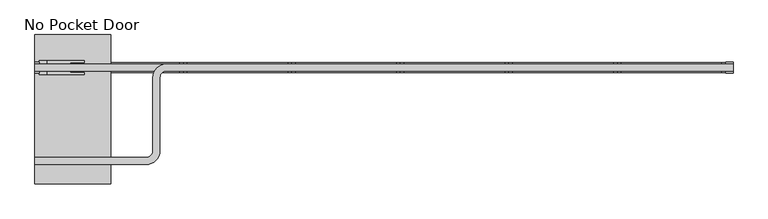
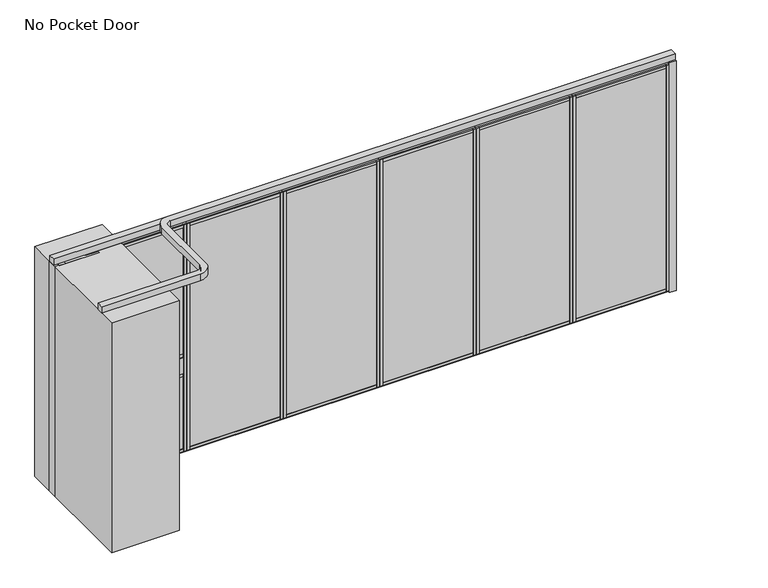
"""IFC4 building model written with IfcOpenShell, lengths in millimetres: proxy geometry, No Pocket Door."""

import ifcopenshell
import ifcopenshell.guid

model = None  # the IFC model being written
_history = None  # IfcOwnerHistory: only IFC2X3 demands one
_inside = {}  # id of a spatial element -> (the spatial element, [elements in it])
_under = {}  # id of a project, library or spatial element -> (it, [spatial elements below it])
_declared = {}  # id of a project -> (the project, [libraries it declares])
_typed = {}  # id of a type object -> (the type object, [elements of that type])
_made_of = {}  # id of a material, layer set ... -> (it, [elements and type objects made of it])


def new_model(schema):
    """Start an empty IFC model of exactly this schema.

    Asked for "IFC4X3", IfcOpenShell would pick the latest addendum, in which some entities
    have other attributes; the version numbers below select the first issue.
    IFC2X3 requires an IfcOwnerHistory on every rooted entity: one is made here for all.
    """
    global model, _history
    if schema == "IFC4X3":
        model = ifcopenshell.file(schema_version=(4, 3, 0, 0))
    else:
        model = ifcopenshell.file(schema=schema)
    _inside.clear()
    _under.clear()
    _declared.clear()
    _typed.clear()
    _made_of.clear()
    _history = None
    if model.schema == "IFC2X3":
        org = make("IfcOrganization", Name="unknown")
        user = make(
            "IfcPersonAndOrganization",
            ThePerson=make("IfcPerson", FamilyName="unknown"),
            TheOrganization=org,
        )
        app = make(
            "IfcApplication",
            ApplicationDeveloper=org,
            Version="unknown",
            ApplicationFullName="unknown",
            ApplicationIdentifier="unknown",
        )
        _history = make(
            "IfcOwnerHistory",
            OwningUser=user,
            OwningApplication=app,
            ChangeAction="ADDED",
            CreationDate=0,
        )
    return model


def make(cls, **values):
    """One entity of the class cls with the attributes given. An attribute that is None is left unset."""
    return model.create_entity(
        cls, **{name: value for name, value in values.items() if value is not None}
    )


def rooted(cls, **values):
    """An entity with a GlobalId (a new one), such as an element, a storey or a relation."""
    return make(cls, GlobalId=ifcopenshell.guid.new(), OwnerHistory=_history, **values)


def si_unit(unit_type, name, prefix=None):
    """IfcSIUnit, for example si_unit("LENGTHUNIT", "METRE", prefix="MILLI")."""
    return make("IfcSIUnit", UnitType=unit_type, Prefix=prefix, Name=name)


def assignment(units):
    """IfcUnitAssignment: the units of a project."""
    return None if units is None else make("IfcUnitAssignment", Units=units)


def point(xyz):
    """IfcCartesianPoint."""
    return None if xyz is None else make("IfcCartesianPoint", Coordinates=xyz)


def direction(xyz):
    """IfcDirection."""
    return None if xyz is None else make("IfcDirection", DirectionRatios=xyz)


def frame(location, z_axis=None, x_axis=None):
    """IfcAxis2Placement3D, a coordinate frame: its origin and axes. An axis left out is left unset."""
    return make(
        "IfcAxis2Placement3D",
        Location=point(location),
        Axis=direction(z_axis),
        RefDirection=direction(x_axis),
    )


def frame_2d(location, x_axis=None):
    """IfcAxis2Placement2D, a coordinate frame in the plane: its origin and x axis."""
    return make(
        "IfcAxis2Placement2D", Location=point(location), RefDirection=direction(x_axis)
    )


def origin():
    """The frame at (0, 0, 0) with its axes left unset."""
    return frame((0.0, 0.0, 0.0))


def origin_with_axes():
    """The frame at (0, 0, 0) with the z axis (0, 0, 1) and the x axis (1, 0, 0) written out."""
    return frame((0.0, 0.0, 0.0), z_axis=(0.0, 0.0, 1.0), x_axis=(1.0, 0.0, 0.0))


def place(relative_to, where):
    """IfcLocalPlacement: puts the frame where relative to a parent placement (None: the world)."""
    return make(
        "IfcLocalPlacement", PlacementRelTo=relative_to, RelativePlacement=where
    )


def context(
    kind, dimensions, precision=None, world=None, true_north=None, identifier=None
):
    """IfcGeometricRepresentationContext, for example the 3D "Model" context."""
    return make(
        "IfcGeometricRepresentationContext",
        ContextIdentifier=identifier,
        ContextType=kind,
        CoordinateSpaceDimension=dimensions,
        Precision=precision,
        WorldCoordinateSystem=world,
        TrueNorth=true_north,
    )


def project(units=None, contexts=None):
    """IfcProject with its units and contexts."""
    return rooted(
        "IfcProject",
        Name="project",
        RepresentationContexts=contexts,
        UnitsInContext=assignment(units),
    )


def spatial(cls, under=None, at=None, **own):
    """A site, building, storey or space (cls), placed at a placement, below another one or the project."""
    s = rooted(cls, ObjectPlacement=at, **own)
    if under is not None:
        _under.setdefault(under.id(), (under, []))[1].append(s)
    return s


def polyline(points):
    """IfcPolyline through the points."""
    return make("IfcPolyline", Points=[point(p) for p in points])


def circle_curve(where, radius):
    """IfcCircle in the frame where."""
    return make("IfcCircle", Position=where, Radius=radius)


def trimmed(basis, trim1, trim2, sense, master):
    """IfcTrimmedCurve: the piece of a basis curve between two trims."""
    return make(
        "IfcTrimmedCurve",
        BasisCurve=basis,
        Trim1=trim1,
        Trim2=trim2,
        SenseAgreement=sense,
        MasterRepresentation=master,
    )


def segment(curve, same_sense, transition):
    """IfcCompositeCurveSegment."""
    return make(
        "IfcCompositeCurveSegment",
        Transition=transition,
        SameSense=same_sense,
        ParentCurve=curve,
    )


def composite_curve(segments, self_intersect=None):
    """IfcCompositeCurve: segments joined end to end."""
    return make("IfcCompositeCurve", Segments=segments, SelfIntersect=self_intersect)


def outline(outer, holes=None, kind="AREA"):
    """IfcArbitraryClosedProfileDef: a profile drawn as a closed curve; with holes, ...WithVoids."""
    if holes is None:
        return make("IfcArbitraryClosedProfileDef", ProfileType=kind, OuterCurve=outer)
    return make(
        "IfcArbitraryProfileDefWithVoids",
        ProfileType=kind,
        OuterCurve=outer,
        InnerCurves=holes,
    )


def extrude(swept, where, along, depth):
    """IfcExtrudedAreaSolid: the profile swept, set in the frame where, extruded along a direction by depth."""
    return make(
        "IfcExtrudedAreaSolid",
        SweptArea=swept,
        Position=where,
        ExtrudedDirection=direction(along),
        Depth=depth,
    )


def shape(context_of_items, identifier, shape_type, items):
    """IfcShapeRepresentation: the items that make up one representation, for example the "Body"."""
    return make(
        "IfcShapeRepresentation",
        ContextOfItems=context_of_items,
        RepresentationIdentifier=identifier,
        RepresentationType=shape_type,
        Items=items,
    )


def source(mapping_origin, context_of_items, identifier, shape_type, items):
    """IfcRepresentationMap: a shape defined once, which mapped items show again and again."""
    return make(
        "IfcRepresentationMap",
        MappingOrigin=mapping_origin,
        MappedRepresentation=shape(context_of_items, identifier, shape_type, items),
    )


def transform(
    local_origin,
    x_axis=None,
    y_axis=None,
    z_axis=None,
    scale=None,
    scale2=None,
    scale3=None,
    uniform=True,
):
    """IfcCartesianTransformationOperator3D, or its non-uniform kind. x_axis, y_axis, z_axis: its Axis1, 2, 3."""
    if uniform:
        return make(
            "IfcCartesianTransformationOperator3D",
            Axis1=direction(x_axis),
            Axis2=direction(y_axis),
            LocalOrigin=point(local_origin),
            Scale=scale,
            Axis3=direction(z_axis),
        )
    return make(
        "IfcCartesianTransformationOperator3DnonUniform",
        Axis1=direction(x_axis),
        Axis2=direction(y_axis),
        LocalOrigin=point(local_origin),
        Scale=scale,
        Axis3=direction(z_axis),
        Scale2=scale2,
        Scale3=scale3,
    )


def mapped(mapping_source, mapping_target):
    """IfcMappedItem: shows the shape of a source again, moved by a transform."""
    return make(
        "IfcMappedItem", MappingSource=mapping_source, MappingTarget=mapping_target
    )


def made_of(thing, what):
    """Note that an element or type object is made of a material, layer set ...; save() writes the relation."""
    if what is not None:
        _made_of.setdefault(what.id(), (what, []))[1].append(thing)
    return thing


def element(
    cls,
    number,
    at=None,
    inside=None,
    cuts=None,
    type_object=None,
    material=None,
    context=None,
    identifier="Body",
    shape_type=None,
    held_by="IfcProductDefinitionShape",
    body=None,
    shapes=None,
    **own,
):
    """One element of the class cls, such as IfcWall. Its Tag is "e" and its number.

    at: its placement. inside: the storey or other place that contains it. cuts: it is an
    opening in that element (IfcRelVoidsElement). A single representation is given by context,
    identifier, shape_type and body (its items); several are given by shapes. held_by: the class
    of the entity that holds the representations. save() writes the other relations.
    """
    e = rooted(cls, Tag="e%d" % number, ObjectPlacement=at, **own)
    if body is not None:
        shapes = [shape(context, identifier, shape_type, body)]
    if shapes is not None:
        e.Representation = make(held_by, Representations=shapes)
    if inside is not None:
        _inside.setdefault(inside.id(), (inside, []))[1].append(e)
    if cuts is not None:
        rooted(
            "IfcRelVoidsElement", RelatingBuildingElement=cuts, RelatedOpeningElement=e
        )
    if type_object is not None:
        _typed.setdefault(type_object.id(), (type_object, []))[1].append(e)
    return made_of(e, material)


def aggregate(whole, parts):
    """IfcRelAggregates: a whole, such as a stair, and the parts it consists of."""
    return rooted("IfcRelAggregates", RelatingObject=whole, RelatedObjects=parts)


def save(model, path):
    """Write the relations noted so far, then the file.

    IfcRelAggregates (storeys below a building ...), IfcRelContainedInSpatialStructure (elements
    in a storey), IfcRelDefinesByType, IfcRelAssociatesMaterial and IfcRelDeclares: one each for
    every whole, place, type object, material and project.
    """
    for whole, parts in _under.values():
        aggregate(whole, parts)
    for where, things in _inside.values():
        rooted(
            "IfcRelContainedInSpatialStructure",
            RelatedElements=things,
            RelatingStructure=where,
        )
    for kind, things in _typed.values():
        rooted("IfcRelDefinesByType", RelatedObjects=things, RelatingType=kind)
    for what, things in _made_of.values():
        rooted("IfcRelAssociatesMaterial", RelatedObjects=things, RelatingMaterial=what)
    for by, libraries in _declared.values():
        rooted("IfcRelDeclares", RelatingContext=by, RelatedDefinitions=libraries)
    model.write(path)


def no_pocket_door_7f9e3d3a(model_context):
    return source(origin(), model_context, "Body", "SweptSolid", [
        extrude(outline(polyline([(3307.761883, 34.13125), (4396.2577164, 34.13125), (4396.2577164, -34.13125), (3307.761883, -34.13125), (3307.761883, 34.13125)])), origin_with_axes(), (0.0, 0.0, 1.0), 22.225),
        extrude(outline(polyline([(3307.761883, 34.13125), (4396.2577164, 34.13125), (4396.2577164, -34.13125), (3307.761883, -34.13125), (3307.761883, 34.13125)])), frame((0.0, 0.0, 2720.975), z_axis=(0.0, 0.0, 1.0), x_axis=(1.0, 0.0, 0.0)), (0.0, 0.0, 1.0), 22.225),
        extrude(outline(polyline([(3342.940883, -50.8), (3308.015883, -50.8), (3308.015883, 50.8), (3342.940883, 50.8), (3342.940883, -50.8)])), frame((0.0, 0.0, 22.225), z_axis=(0.0, 0.0, 1.0), x_axis=(1.0, 0.0, 0.0)), (0.0, 0.0, 1.0), 2698.75),
        extrude(outline(polyline([(4361.0787164, -50.8), (4361.0787164, 50.8), (4396.0037164, 50.8), (4396.0037164, -50.8), (4361.0787164, -50.8)])), frame((0.0, 0.0, 22.225), z_axis=(0.0, 0.0, 1.0), x_axis=(1.0, 0.0, 0.0)), (0.0, 0.0, 1.0), 2698.75),
        extrude(outline(polyline([(0.0, 9.525), (1063.0958334, 9.525), (1063.0958334, 0.0), (0.0, 0.0), (0.0, 9.525)])), frame((4383.5577164, -36.5125, 52.3875), z_axis=(0.0, 1.4530598946293796e-12, 1.0), x_axis=(-1.0, 0.0, 0.0)), (0.0, 0.0, 1.0), 2638.425),
        extrude(outline(polyline([(0.0, 7.9375), (1063.0958334, 7.9375), (1063.0958334, 0.0), (0.0, 0.0), (0.0, 7.9375)])), frame((4383.5577164, 44.45, 52.3875), z_axis=(0.0, -1.775646296664526e-12, 1.0), x_axis=(-1.0, 0.0, 0.0)), (0.0, 0.0, 1.0), 2638.425),
        extrude(outline(polyline([(36.5125, 2605.0875), (-36.5125, 2605.0875), (-36.5125, 2690.8125), (-50.8, 2690.8125), (-50.8, 2720.975), (50.8, 2720.975), (50.8, 2690.8125), (36.5125, 2690.8125), (36.5125, 2605.0875)])), frame((3342.940883, 0.0, 0.0), z_axis=(1.0, 0.0, 0.0), x_axis=(0.0, 1.0, 0.0)), (0.0, 0.0, 1.0), 1018.1378333),
        extrude(outline(polyline([(50.8, 22.225), (-50.8, 22.225), (-50.8, 52.3875), (-36.5125, 52.3875), (-36.5125, 138.1125), (36.5125, 138.1125), (36.5125, 52.3875), (50.8, 52.3875), (50.8, 22.225)])), frame((3342.940883, 0.0, 0.0), z_axis=(1.0, 0.0, 0.0), x_axis=(0.0, 1.0, 0.0)), (0.0, 0.0, 1.0), 1018.1378333),
        extrude(outline(polyline([(2219.2660497, 34.13125), (3307.761883, 34.13125), (3307.761883, -34.13125), (2219.2660497, -34.13125), (2219.2660497, 34.13125)])), origin_with_axes(), (0.0, 0.0, 1.0), 22.225),
        extrude(outline(polyline([(2219.2660497, 34.13125), (3307.761883, 34.13125), (3307.761883, -34.13125), (2219.2660497, -34.13125), (2219.2660497, 34.13125)])), frame((0.0, 0.0, 2720.975), z_axis=(0.0, 0.0, 1.0), x_axis=(1.0, 0.0, 0.0)), (0.0, 0.0, 1.0), 22.225),
        extrude(outline(polyline([(2254.4450497, -50.8), (2219.5200497, -50.8), (2219.5200497, 50.8), (2254.4450497, 50.8), (2254.4450497, -50.8)])), frame((0.0, 0.0, 22.225), z_axis=(0.0, 0.0, 1.0), x_axis=(1.0, 0.0, 0.0)), (0.0, 0.0, 1.0), 2698.75),
        extrude(outline(polyline([(3272.582883, -50.8), (3272.582883, 50.8), (3307.507883, 50.8), (3307.507883, -50.8), (3272.582883, -50.8)])), frame((0.0, 0.0, 22.225), z_axis=(0.0, 0.0, 1.0), x_axis=(1.0, 0.0, 0.0)), (0.0, 0.0, 1.0), 2698.75),
        extrude(outline(polyline([(0.0, 9.525), (1063.0958333, 9.525), (1063.0958333, 0.0), (0.0, 0.0), (0.0, 9.525)])), frame((3295.061883, -36.5125, 52.3875), z_axis=(0.0, 1.4530598946293796e-12, 1.0), x_axis=(-1.0, 0.0, 0.0)), (0.0, 0.0, 1.0), 2638.425),
        extrude(outline(polyline([(0.0, 7.9375), (1063.0958333, 7.9375), (1063.0958333, 0.0), (0.0, 0.0), (0.0, 7.9375)])), frame((3295.061883, 44.45, 52.3875), z_axis=(0.0, -1.775646296664526e-12, 1.0), x_axis=(-1.0, 0.0, 0.0)), (0.0, 0.0, 1.0), 2638.425),
        extrude(outline(polyline([(36.5125, 2605.0875), (-36.5125, 2605.0875), (-36.5125, 2690.8125), (-50.8, 2690.8125), (-50.8, 2720.975), (50.8, 2720.975), (50.8, 2690.8125), (36.5125, 2690.8125), (36.5125, 2605.0875)])), frame((2254.4450497, 0.0, 0.0), z_axis=(1.0, 0.0, 0.0), x_axis=(0.0, 1.0, 0.0)), (0.0, 0.0, 1.0), 1018.1378333),
        extrude(outline(polyline([(50.8, 22.225), (-50.8, 22.225), (-50.8, 52.3875), (-36.5125, 52.3875), (-36.5125, 138.1125), (36.5125, 138.1125), (36.5125, 52.3875), (50.8, 52.3875), (50.8, 22.225)])), frame((2254.4450497, 0.0, 0.0), z_axis=(1.0, 0.0, 0.0), x_axis=(0.0, 1.0, 0.0)), (0.0, 0.0, 1.0), 1018.1378333),
        extrude(outline(polyline([(1130.7702164, 34.13125), (2219.2660497, 34.13125), (2219.2660497, -34.13125), (1130.7702164, -34.13125), (1130.7702164, 34.13125)])), origin_with_axes(), (0.0, 0.0, 1.0), 22.225),
        extrude(outline(polyline([(1130.7702164, 34.13125), (2219.2660497, 34.13125), (2219.2660497, -34.13125), (1130.7702164, -34.13125), (1130.7702164, 34.13125)])), frame((0.0, 0.0, 2720.975), z_axis=(0.0, 0.0, 1.0), x_axis=(1.0, 0.0, 0.0)), (0.0, 0.0, 1.0), 22.225),
        extrude(outline(polyline([(1165.9492164, -50.8), (1131.0242164, -50.8), (1131.0242164, 50.8), (1165.9492164, 50.8), (1165.9492164, -50.8)])), frame((0.0, 0.0, 22.225), z_axis=(0.0, 0.0, 1.0), x_axis=(1.0, 0.0, 0.0)), (0.0, 0.0, 1.0), 2698.75),
        extrude(outline(polyline([(2184.0870497, -50.8), (2184.0870497, 50.8), (2219.0120497, 50.8), (2219.0120497, -50.8), (2184.0870497, -50.8)])), frame((0.0, 0.0, 22.225), z_axis=(0.0, 0.0, 1.0), x_axis=(1.0, 0.0, 0.0)), (0.0, 0.0, 1.0), 2698.75),
        extrude(outline(polyline([(0.0, 9.525), (1063.0958333, 9.525), (1063.0958333, 0.0), (0.0, 0.0), (0.0, 9.525)])), frame((2206.5660497, -36.5125, 52.3875), z_axis=(0.0, 1.4530598946293796e-12, 1.0), x_axis=(-1.0, 0.0, 0.0)), (0.0, 0.0, 1.0), 2638.425),
        extrude(outline(polyline([(0.0, 7.9375), (1063.0958333, 7.9375), (1063.0958333, 0.0), (0.0, 0.0), (0.0, 7.9375)])), frame((2206.5660497, 44.45, 52.3875), z_axis=(0.0, -1.775646296664526e-12, 1.0), x_axis=(-1.0, 0.0, 0.0)), (0.0, 0.0, 1.0), 2638.425),
        extrude(outline(polyline([(36.5125, 2605.0875), (-36.5125, 2605.0875), (-36.5125, 2690.8125), (-50.8, 2690.8125), (-50.8, 2720.975), (50.8, 2720.975), (50.8, 2690.8125), (36.5125, 2690.8125), (36.5125, 2605.0875)])), frame((1165.9492164, 0.0, 0.0), z_axis=(1.0, 0.0, 0.0), x_axis=(0.0, 1.0, 0.0)), (0.0, 0.0, 1.0), 1018.1378333),
        extrude(outline(polyline([(50.8, 22.225), (-50.8, 22.225), (-50.8, 52.3875), (-36.5125, 52.3875), (-36.5125, 138.1125), (36.5125, 138.1125), (36.5125, 52.3875), (50.8, 52.3875), (50.8, 22.225)])), frame((1165.9492164, 0.0, 0.0), z_axis=(1.0, 0.0, 0.0), x_axis=(0.0, 1.0, 0.0)), (0.0, 0.0, 1.0), 1018.1378333),
        extrude(outline(polyline([(4396.2577164, 34.13125), (5484.7535497, 34.13125), (5484.7535497, -34.13125), (4396.2577164, -34.13125), (4396.2577164, 34.13125)])), origin_with_axes(), (0.0, 0.0, 1.0), 22.225),
        extrude(outline(polyline([(4396.2577164, 34.13125), (5484.7535497, 34.13125), (5484.7535497, -34.13125), (4396.2577164, -34.13125), (4396.2577164, 34.13125)])), frame((0.0, 0.0, 2720.975), z_axis=(0.0, 0.0, 1.0), x_axis=(1.0, 0.0, 0.0)), (0.0, 0.0, 1.0), 22.225),
        extrude(outline(polyline([(4431.4367164, -50.8), (4396.5117164, -50.8), (4396.5117164, 50.8), (4431.4367164, 50.8), (4431.4367164, -50.8)])), frame((0.0, 0.0, 22.225), z_axis=(0.0, 0.0, 1.0), x_axis=(1.0, 0.0, 0.0)), (0.0, 0.0, 1.0), 2698.75),
        extrude(outline(polyline([(5449.5745497, -50.8), (5449.5745497, 50.8), (5484.4995497, 50.8), (5484.4995497, -50.8), (5449.5745497, -50.8)])), frame((0.0, 0.0, 22.225), z_axis=(0.0, 0.0, 1.0), x_axis=(1.0, 0.0, 0.0)), (0.0, 0.0, 1.0), 2698.75),
        extrude(outline(polyline([(0.0, 9.525), (1063.0958333, 9.525), (1063.0958333, 0.0), (0.0, 0.0), (0.0, 9.525)])), frame((5472.0535497, -36.5125, 52.3875), z_axis=(0.0, 1.4530598946293796e-12, 1.0), x_axis=(-1.0, 0.0, 0.0)), (0.0, 0.0, 1.0), 2638.425),
        extrude(outline(polyline([(0.0, 7.9375), (1063.0958333, 7.9375), (1063.0958333, 0.0), (0.0, 0.0), (0.0, 7.9375)])), frame((5472.0535497, 44.45, 52.3875), z_axis=(0.0, -1.775646296664526e-12, 1.0), x_axis=(-1.0, 0.0, 0.0)), (0.0, 0.0, 1.0), 2638.425),
        extrude(outline(polyline([(36.5125, 2605.0875), (-36.5125, 2605.0875), (-36.5125, 2690.8125), (-50.8, 2690.8125), (-50.8, 2720.975), (50.8, 2720.975), (50.8, 2690.8125), (36.5125, 2690.8125), (36.5125, 2605.0875)])), frame((4431.4367164, 0.0, 0.0), z_axis=(1.0, 0.0, 0.0), x_axis=(0.0, 1.0, 0.0)), (0.0, 0.0, 1.0), 1018.1378333),
        extrude(outline(polyline([(50.8, 22.225), (-50.8, 22.225), (-50.8, 52.3875), (-36.5125, 52.3875), (-36.5125, 138.1125), (36.5125, 138.1125), (36.5125, 52.3875), (50.8, 52.3875), (50.8, 22.225)])), frame((4431.4367164, 0.0, 0.0), z_axis=(1.0, 0.0, 0.0), x_axis=(0.0, 1.0, 0.0)), (0.0, 0.0, 1.0), 1018.1378333),
        extrude(outline(polyline([(-44.846875, 914.4), (-44.846875, 952.5), (-50.8, 952.5), (-50.8, 1143.0), (-44.846875, 1143.0), (-44.846875, 1181.1), (0.0, 1181.1), (46.2359375, 1181.1), (46.2359375, 1143.0), (50.8, 1143.0), (50.8, 952.5), (46.2359375, 952.5), (46.2359375, 914.4), (0.0, 914.4), (-44.846875, 914.4)])), frame((-1058.6674503, 0.0, 0.0), z_axis=(1.0, 0.0, 0.0), x_axis=(0.0, 1.0, 0.0)), (0.0, 0.0, 1.0), 1065.7628333),
        extrude(outline(polyline([(42.274383, -34.13125), (-1093.8464503, -34.13125), (-1093.8464503, 34.13125), (42.274383, 34.13125), (42.274383, -34.13125)])), origin_with_axes(), (0.0, 0.0, 1.0), 22.225),
        extrude(outline(polyline([(42.274383, -34.13125), (-1093.8464503, -34.13125), (-1093.8464503, 34.13125), (42.274383, 34.13125), (42.274383, -34.13125)])), frame((0.0, 0.0, 2720.975), z_axis=(0.0, 0.0, 1.0), x_axis=(1.0, 0.0, 0.0)), (0.0, 0.0, 1.0), 22.225),
        extrude(outline(polyline([(7.095383, 50.8), (42.020383, 50.8), (42.020383, -50.8), (7.095383, -50.8), (7.095383, 50.8)])), frame((0.0, 0.0, 22.225), z_axis=(0.0, 0.0, 1.0), x_axis=(1.0, 0.0, 0.0)), (0.0, 0.0, 1.0), 2698.75),
        extrude(outline(polyline([(-1058.6674503, 50.8), (-1058.6674503, -50.8), (-1093.5924503, -50.8), (-1093.5924503, 50.8), (-1058.6674503, 50.8)])), frame((0.0, 0.0, 22.225), z_axis=(0.0, 0.0, 1.0), x_axis=(1.0, 0.0, 0.0)), (0.0, 0.0, 1.0), 2698.75),
        extrude(outline(polyline([(0.0, 9.525), (1110.7208333, 9.525), (1110.7208333, 0.0), (0.0, 0.0), (0.0, 9.525)])), frame((-1081.1464503, 36.5125, 52.3875), z_axis=(0.0, -1.4530598946293796e-12, 1.0), x_axis=(1.0, 0.0, 0.0)), (0.0, 0.0, 1.0), 2638.425),
        extrude(outline(polyline([(0.0, 7.9375), (1110.7208333, 7.9375), (1110.7208333, 0.0), (0.0, 0.0), (0.0, 7.9375)])), frame((-1081.1464503, -44.45, 52.3875), z_axis=(0.0, 1.775646296664526e-12, 1.0), x_axis=(1.0, 0.0, 0.0)), (0.0, 0.0, 1.0), 2638.425),
        extrude(outline(polyline([(-36.5125, 2605.0875), (-36.5125, 2690.8125), (-50.8, 2690.8125), (-50.8, 2720.975), (50.8, 2720.975), (50.8, 2690.8125), (36.5125, 2690.8125), (36.5125, 2605.0875), (-36.5125, 2605.0875)])), frame((-1058.6674503, 0.0, 0.0), z_axis=(1.0, 0.0, 0.0), x_axis=(0.0, 1.0, 0.0)), (0.0, 0.0, 1.0), 1065.7628333),
        extrude(outline(polyline([(-50.8, 22.225), (-50.8, 52.3875), (-36.5125, 52.3875), (-36.5125, 138.1125), (36.5125, 138.1125), (36.5125, 52.3875), (50.8, 52.3875), (50.8, 22.225), (-50.8, 22.225)])), frame((-1058.6674503, 0.0, 0.0), z_axis=(1.0, 0.0, 0.0), x_axis=(0.0, 1.0, 0.0)), (0.0, 0.0, 1.0), 1065.7628333),
        extrude(outline(polyline([(-1404.9964503, -53.975), (-1449.4464503, -53.975), (-1449.4464503, 53.975), (-1404.9964503, 53.975), (-1404.9964503, -53.975)])), origin_with_axes(), (0.0, 0.0, 1.0), 2743.2),
        extrude(outline(polyline([(-1331.9714503, -68.2625), (-1404.9964503, -68.2625), (-1404.9964503, 68.2625), (-1331.9714503, 68.2625), (-1331.9714503, -68.2625)])), origin_with_axes(), (0.0, 0.0, 1.0), 2743.2),
        extrude(outline(polyline([(-954.1464503, -68.2625), (-1331.9714503, -68.2625), (-1331.9714503, 68.2625), (-954.1464503, 68.2625), (-954.1464503, 50.8), (-1093.8464503, 50.8), (-1093.8464503, -50.8), (-954.1464503, -50.8), (-954.1464503, -68.2625)])), origin_with_axes(), (0.0, 0.0, 1.0), 2743.2),
        extrude(outline(polyline([(5560.9535497, -53.975), (5484.7535497, -53.975), (5484.7535497, 53.975), (5560.9535497, 53.975), (5560.9535497, -53.975)])), origin_with_axes(), (0.0, 0.0, 1.0), 2743.2),
        extrude(outline(polyline([(42.274383, 34.13125), (1130.7702164, 34.13125), (1130.7702164, -34.13125), (42.274383, -34.13125), (42.274383, 34.13125)])), origin_with_axes(), (0.0, 0.0, 1.0), 22.225),
        extrude(outline(polyline([(42.274383, 34.13125), (1130.7702164, 34.13125), (1130.7702164, -34.13125), (42.274383, -34.13125), (42.274383, 34.13125)])), frame((0.0, 0.0, 2720.975), z_axis=(0.0, 0.0, 1.0), x_axis=(1.0, 0.0, 0.0)), (0.0, 0.0, 1.0), 22.225),
        extrude(outline(polyline([(77.453383, -50.8), (42.528383, -50.8), (42.528383, 50.8), (77.453383, 50.8), (77.453383, -50.8)])), frame((0.0, 0.0, 22.225), z_axis=(0.0, 0.0, 1.0), x_axis=(1.0, 0.0, 0.0)), (0.0, 0.0, 1.0), 2698.75),
        extrude(outline(polyline([(1095.5912164, -50.8), (1095.5912164, 50.8), (1130.5162164, 50.8), (1130.5162164, -50.8), (1095.5912164, -50.8)])), frame((0.0, 0.0, 22.225), z_axis=(0.0, 0.0, 1.0), x_axis=(1.0, 0.0, 0.0)), (0.0, 0.0, 1.0), 2698.75),
        extrude(outline(polyline([(0.0, 9.525), (1063.0958334, 9.525), (1063.0958334, 0.0), (0.0, 0.0), (0.0, 9.525)])), frame((1118.0702164, -36.5125, 52.3875), z_axis=(0.0, 1.4530598946293796e-12, 1.0), x_axis=(-1.0, 0.0, 0.0)), (0.0, 0.0, 1.0), 2638.425),
        extrude(outline(polyline([(0.0, 7.9375), (1063.0958334, 7.9375), (1063.0958334, 0.0), (0.0, 0.0), (0.0, 7.9375)])), frame((1118.0702164, 44.45, 52.3875), z_axis=(0.0, -1.775646296664526e-12, 1.0), x_axis=(-1.0, 0.0, 0.0)), (0.0, 0.0, 1.0), 2638.425),
        extrude(outline(polyline([(36.5125, 2605.0875), (-36.5125, 2605.0875), (-36.5125, 2690.8125), (-50.8, 2690.8125), (-50.8, 2720.975), (50.8, 2720.975), (50.8, 2690.8125), (36.5125, 2690.8125), (36.5125, 2605.0875)])), frame((77.453383, 0.0, 0.0), z_axis=(1.0, 0.0, 0.0), x_axis=(0.0, 1.0, 0.0)), (0.0, 0.0, 1.0), 1018.1378333),
        extrude(outline(polyline([(50.8, 22.225), (-50.8, 22.225), (-50.8, 52.3875), (-36.5125, 52.3875), (-36.5125, 138.1125), (36.5125, 138.1125), (36.5125, 52.3875), (50.8, 52.3875), (50.8, 22.225)])), frame((77.453383, 0.0, 0.0), z_axis=(1.0, 0.0, 0.0), x_axis=(0.0, 1.0, 0.0)), (0.0, 0.0, 1.0), 1018.1378333),
        extrude(outline(composite_curve([segment(polyline([(5560.9535497, -35.71875), (-128.6464503, -35.71875)]), True, "CONTINUOUS"), segment(trimmed(circle_curve(frame_2d((-128.6464503, -101.6)), 65.88125), [point((-128.6464503, -35.71875))], [point((-194.5277003, -101.6))], True, "CARTESIAN"), True, "CONTINUOUS"), segment(polyline([(-194.5277003, -101.6), (-194.5277003, -838.2)]), True, "CONTINUOUS"), segment(trimmed(circle_curve(frame_2d((-331.8464503, -838.2)), 137.31875), [point((-194.5277003, -838.2))], [point((-331.8464503, -975.51875))], False, "CARTESIAN"), True, "CONTINUOUS"), segment(polyline([(-331.8464503, -975.51875), (-1449.4464503, -975.51875), (-1449.4464503, -904.08125), (-331.8464503, -904.08125)]), True, "CONTINUOUS"), segment(trimmed(circle_curve(frame_2d((-331.8464503, -838.2)), 65.88125), [point((-331.8464503, -904.08125))], [point((-265.9652003, -838.2))], True, "CARTESIAN"), True, "CONTINUOUS"), segment(polyline([(-265.9652003, -838.2), (-265.9652003, -101.6)]), True, "CONTINUOUS"), segment(trimmed(circle_curve(frame_2d((-128.6464503, -101.6)), 137.31875), [point((-265.9652003, -101.6))], [point((-128.6464503, 35.71875))], False, "CARTESIAN"), True, "CONTINUOUS"), segment(polyline([(-128.6464503, 35.71875), (5560.9535497, 35.71875), (5560.9535497, -35.71875)]), True, "CONTINUOUS")], self_intersect=False)), frame((0.0, 0.0, 2743.2), z_axis=(0.0, 0.0, 1.0), x_axis=(1.0, 0.0, 0.0)), (0.0, 0.0, 1.0), 74.6125),
        extrude(outline(polyline([(42.274383, -35.71875), (-1449.4464503, -35.71875), (-1449.4464503, 35.71875), (42.274383, 35.71875), (42.274383, -35.71875)])), frame((0.0, 0.0, 2743.2), z_axis=(0.0, 0.0, 1.0), x_axis=(1.0, 0.0, 0.0)), (0.0, 0.0, 1.0), 74.6125),
        extrude(outline(polyline([(-687.4464503, 330.2), (-687.4464503, -1168.4), (-1449.4464503, -1168.4), (-1449.4464503, 330.2), (-687.4464503, 330.2)])), origin_with_axes(), (0.0, 0.0, 1.0), 2743.2),
    ])


if __name__ == "__main__":
    model = new_model("IFC4")
    model_context = context("Model", 3, world=origin())
    ifc_project = project(units=[si_unit("LENGTHUNIT", "METRE", prefix="MILLI")], contexts=[model_context])
    site = spatial("IfcSite", under=ifc_project)
    building = spatial("IfcBuilding", under=site)
    placement = place(None, origin())
    no_pocket_door_shape = no_pocket_door_7f9e3d3a(model_context)
    element("IfcBuildingElementProxy", 1, Name="No Pocket Door", ObjectType="No Pocket Door", at=placement, inside=building, context=model_context, shape_type="MappedRepresentation", body=[
        mapped(no_pocket_door_shape, transform((0.0, 0.0, 0.0), x_axis=(1.0, 0.0, 0.0), y_axis=(0.0, 1.0, 0.0), z_axis=(0.0, 0.0, 1.0))),
    ])
    save(model, "model.ifc")
